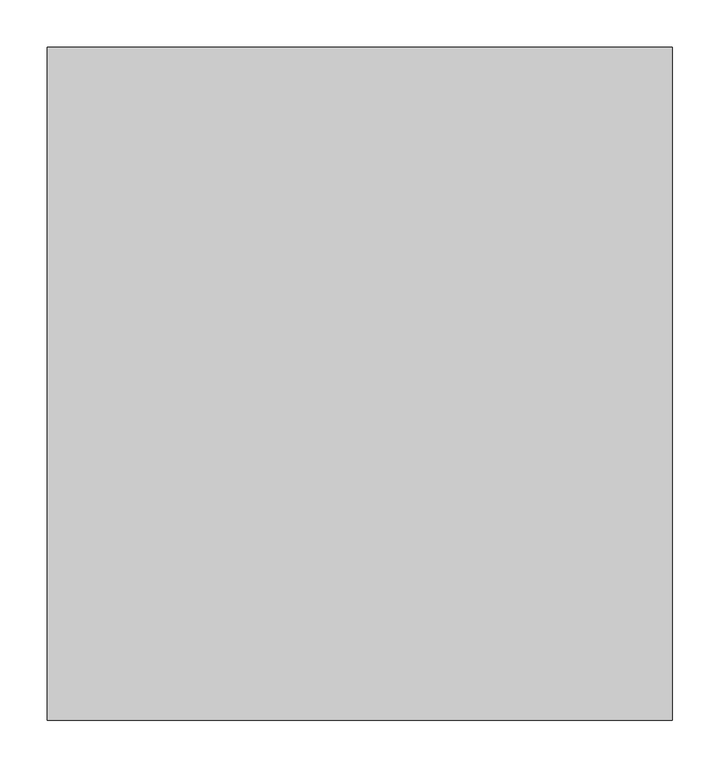
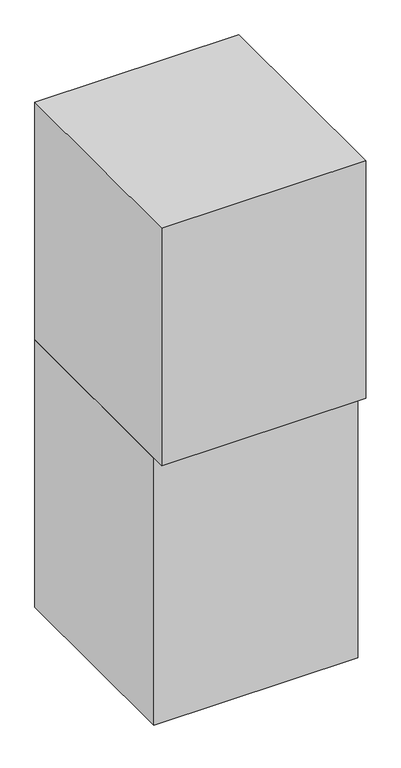
"""IFC4 building model written with IfcOpenShell, lengths in millimetres: proxy geometry."""

from ifc_helpers import new_model, si_unit, frame, origin, origin_with_axes, place, context, project, spatial, polyline, outline, extrude, source, transform, mapped, element, save


def specialty_equipment_07a9c811(model_context):
    return source(origin(), model_context, "Body", "SweptSolid", [
        extrude(outline(polyline([(330.2, 711.2), (330.2, 44.45), (-330.2, 44.45), (-330.2, 711.2), (330.2, 711.2)])), origin_with_axes(), (0.0, 0.0, 1.0), 914.4),
        extrude(outline(polyline([(330.2, 711.2), (330.2, 0.0), (-330.2, 0.0), (-330.2, 711.2), (330.2, 711.2)])), frame((0.0, 0.0, 914.4), z_axis=(0.0, 0.0, 1.0), x_axis=(1.0, 0.0, 0.0)), (0.0, 0.0, 1.0), 812.8),
    ])


if __name__ == "__main__":
    model = new_model("IFC4")
    model_context = context("Model", 3, world=origin())
    ifc_project = project(units=[si_unit("LENGTHUNIT", "METRE", prefix="MILLI")], contexts=[model_context])
    site = spatial("IfcSite", under=ifc_project)
    building = spatial("IfcBuilding", under=site)
    placement = place(None, origin())
    specialty_equipment_shape = specialty_equipment_07a9c811(model_context)
    element("IfcBuildingElementProxy", 1, Name="Specialty Equipment", at=placement, inside=building, context=model_context, shape_type="MappedRepresentation", body=[
        mapped(specialty_equipment_shape, transform((0.0, 0.0, 0.0), x_axis=(1.0, 0.0, 0.0), y_axis=(0.0, 1.0, 0.0), z_axis=(0.0, 0.0, 1.0))),
    ])
    save(model, "model.ifc")
